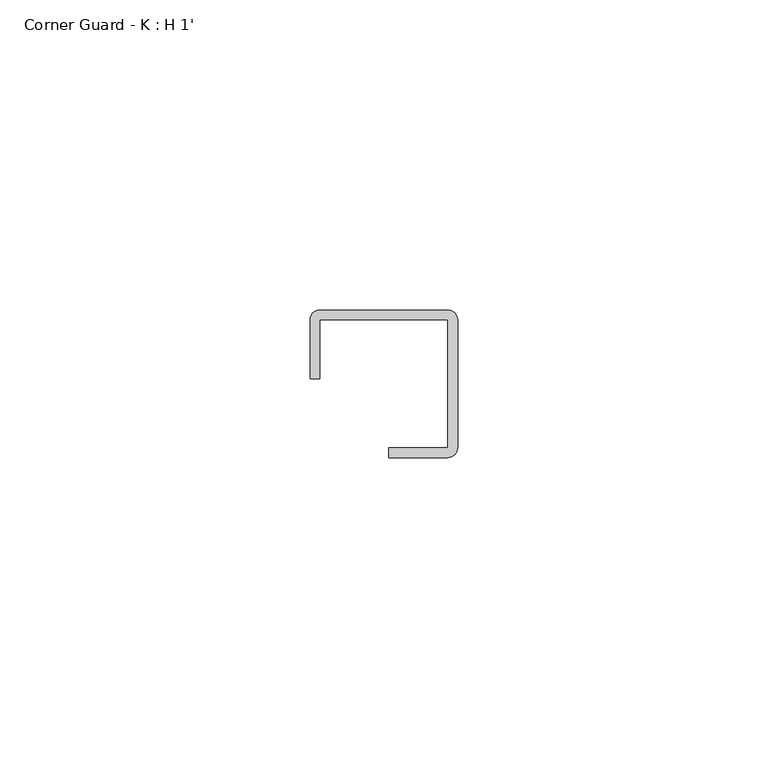
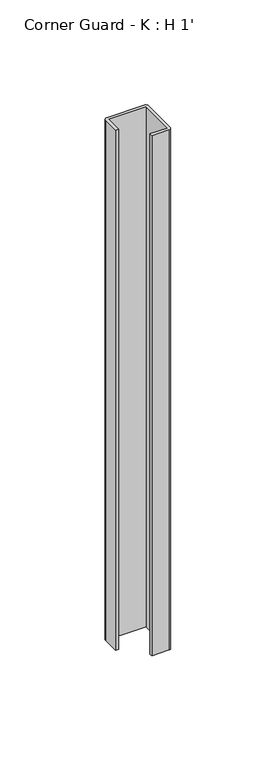
"""IFC4 building model written with IfcOpenShell, lengths in millimetres: proxy geometry, Corner Guard - K : H 1'."""

from ifc_helpers import new_model, si_unit, point, frame_2d, origin, origin_with_axes, place, context, project, spatial, polyline, circle_curve, trimmed, segment, composite_curve, outline, extrude, source, transform, mapped, element, save


def corner_guard_k_h_1_f55fa06c(model_context):
    return source(origin(), model_context, "Body", "SweptSolid", [
        extrude(outline(composite_curve([segment(trimmed(circle_curve(frame_2d((22.225, 22.225)), 1.5875), [point((22.225, 23.8125))], [point((23.8125, 22.225))], False, "CARTESIAN"), True, "CONTINUOUS"), segment(polyline([(23.8125, 22.225), (23.8125, 1.5875)]), True, "CONTINUOUS"), segment(trimmed(circle_curve(frame_2d((22.225, 1.5875)), 1.5875), [point((23.8125, 1.5875))], [point((22.225, 0.0))], False, "CARTESIAN"), True, "CONTINUOUS"), segment(polyline([(22.225, 0.0), (12.7, 0.0), (12.7, 1.5875), (22.225, 1.5875), (22.225, 22.225), (1.5875, 22.225), (1.5875, 12.7), (0.0, 12.7), (0.0, 22.225)]), True, "CONTINUOUS"), segment(trimmed(circle_curve(frame_2d((1.5875, 22.225)), 1.5875), [point((0.0, 22.225))], [point((1.5875, 23.8125))], False, "CARTESIAN"), True, "CONTINUOUS"), segment(polyline([(1.5875, 23.8125), (22.225, 23.8125)]), True, "CONTINUOUS")], self_intersect=False)), origin_with_axes(), (0.0, 0.0, 1.0), 304.8),
    ])


if __name__ == "__main__":
    model = new_model("IFC4")
    model_context = context("Model", 3, world=origin())
    ifc_project = project(units=[si_unit("LENGTHUNIT", "METRE", prefix="MILLI")], contexts=[model_context])
    site = spatial("IfcSite", under=ifc_project)
    building = spatial("IfcBuilding", under=site)
    placement = place(None, origin())
    corner_guard_k_h_1_shape = corner_guard_k_h_1_f55fa06c(model_context)
    element("IfcBuildingElementProxy", 1, Name="Corner Guard - K : H 1'", ObjectType="Corner Guard - K : H 1'", at=placement, inside=building, context=model_context, shape_type="MappedRepresentation", body=[
        mapped(corner_guard_k_h_1_shape, transform((0.0, 0.0, 0.0), x_axis=(1.0, 0.0, 0.0), y_axis=(0.0, 1.0, 0.0), z_axis=(0.0, 0.0, 1.0))),
    ])
    save(model, "model.ifc")
